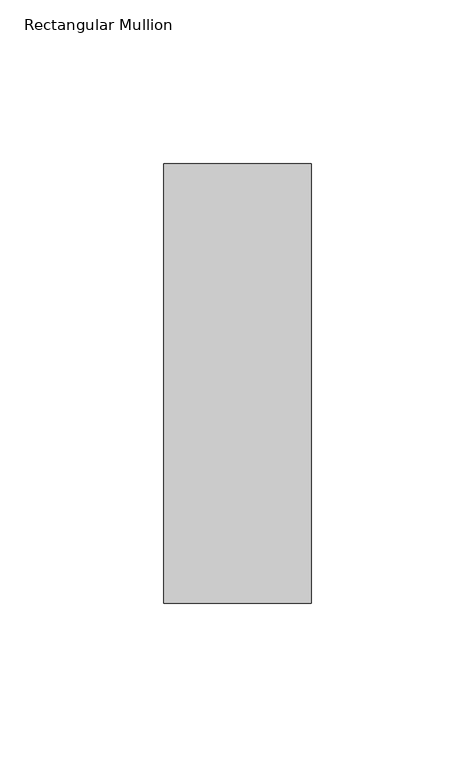
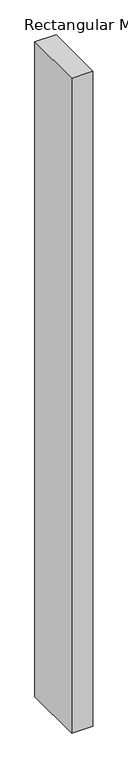
"""IFC4 building model written with IfcOpenShell, lengths in millimetres: member geometry, Rectangular Mullion."""

from ifc_helpers import new_model, si_unit, frame, origin, place, context, project, spatial, polyline, outline, extrude, source, transform, mapped, element, save


def rectangular_mullion_31c5c746(model_context):
    return source(origin(), model_context, "Body", "SweptSolid", [
        extrude(outline(polyline([(-45.0, 82.60625), (0.0, 82.60625), (0.0, -51.60625), (-45.0, -51.60625), (-45.0, 82.60625)])), frame((0.0, 0.0, -1461.8930608), z_axis=(0.0, 0.0, 1.0), x_axis=(1.0, 0.0, 0.0)), (0.0, 0.0, 1.0), 1461.8930608),
    ])


if __name__ == "__main__":
    model = new_model("IFC4")
    model_context = context("Model", 3, world=origin())
    ifc_project = project(units=[si_unit("LENGTHUNIT", "METRE", prefix="MILLI")], contexts=[model_context])
    site = spatial("IfcSite", under=ifc_project)
    building = spatial("IfcBuilding", under=site)
    placement = place(None, origin())
    rectangular_mullion_shape = rectangular_mullion_31c5c746(model_context)
    element("IfcMember", 1, ObjectType="Rectangular Mullion", at=placement, inside=building, context=model_context, shape_type="MappedRepresentation", body=[
        mapped(rectangular_mullion_shape, transform((0.0, 0.0, 0.0), x_axis=(1.0, 0.0, 0.0), y_axis=(0.0, 1.0, 0.0), z_axis=(0.0, 0.0, 1.0))),
    ])
    save(model, "model.ifc")
